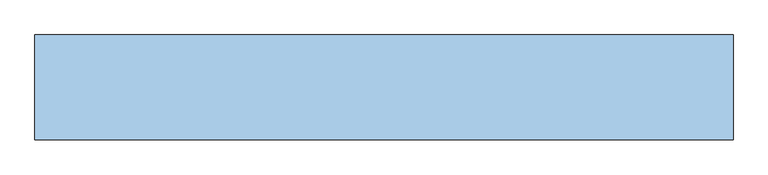
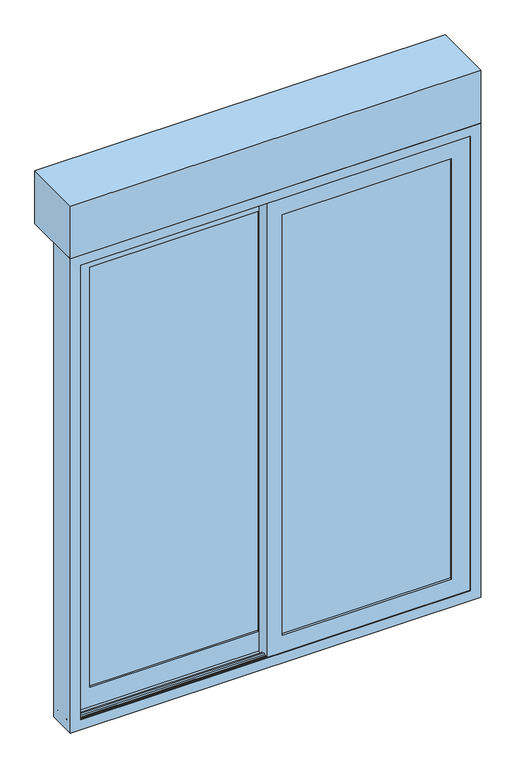
"""IFC4 building model written with IfcOpenShell, lengths in millimetres: window geometry."""

from ifc_helpers import new_model, si_unit, point, frame, frame_2d, origin, place, context, project, spatial, polyline, circle_curve, trimmed, segment, composite_curve, outline, extrude, faceted_brep, source, transform, mapped, element, save


def window_964fc90e(model_context):
    return source(origin(), model_context, "Body", "SolidModel", [
        extrude(outline(polyline([(900.0, -131.31), (-900.0, -131.31), (-900.0, 138.69), (900.0, 138.69), (900.0, -131.31)])), frame((0.0, 0.0, 2200.0), z_axis=(0.0, 0.0, 1.0), x_axis=(1.0, 0.0, 0.0)), (0.0, 0.0, 1.0), 245.0),
        extrude(outline(polyline([(774.5, -118.31), (32.5, -118.31), (32.5, -112.31), (774.5, -112.31), (774.5, -118.31)])), frame((0.0, 0.0, 125.5), z_axis=(0.0, 0.0, 1.0), x_axis=(1.0, 0.0, 0.0)), (0.0, 0.0, 1.0), 1949.0),
        extrude(outline(polyline([(774.5, -106.31), (32.5, -106.31), (32.5, -100.31), (774.5, -100.31), (774.5, -106.31)])), frame((0.0, 0.0, 125.5), z_axis=(0.0, 0.0, 1.0), x_axis=(1.0, 0.0, 0.0)), (0.0, 0.0, 1.0), 1949.0),
        extrude(outline(polyline([(-32.4, -40.01), (-774.5, -40.01), (-774.5, -34.01), (-32.4, -34.01), (-32.4, -40.01)])), frame((0.0, 0.0, 125.5), z_axis=(0.0, 0.0, 1.0), x_axis=(1.0, 0.0, 0.0)), (0.0, 0.0, 1.0), 1949.0),
        extrude(outline(polyline([(-32.4, -52.01), (-774.5, -52.01), (-774.5, -46.01), (-32.4, -46.01), (-32.4, -52.01)])), frame((0.0, 0.0, 125.5), z_axis=(0.0, 0.0, 1.0), x_axis=(1.0, 0.0, 0.0)), (0.0, 0.0, 1.0), 1949.0),
        faceted_brep([(32.5, -71.01, 34.0), (15.5, -71.01, 34.0), (15.5, -65.01, 34.0), (4.5, -65.01, 34.0), (4.5, -70.21, 34.0), (-1.5, -70.21, 34.0), (-1.5, -76.31, 34.0), (866.0, -76.31, 34.0), (866.0, -81.31, 34.0), (32.5, -81.31, 34.0), (32.5, -121.31, 34.0), (866.0, -121.31, 34.0), (866.0, -126.31, 34.0), (-32.4, -126.31, 34.0), (-32.4, -65.41, 34.0), (-15.4, -65.41, 34.0), (-15.4, -71.41, 34.0), (-4.4, -71.41, 34.0), (-4.4, -66.21, 34.0), (1.6, -66.21, 34.0), (1.6, -60.01, 34.0), (-866.0, -60.01, 34.0), (-866.0, -55.01, 34.0), (-32.4, -55.01, 34.0), (-32.4, -15.01, 34.0), (-866.0, -15.01, 34.0), (-866.0, -10.01, 34.0), (32.5, -10.01, 34.0), (32.5, -71.01, 2155.0), (15.5, -71.01, 2155.0), (15.5, -65.01, 2155.0), (4.5, -65.01, 2155.0), (4.5, -70.21, 2155.0), (-1.5, -70.21, 2155.0), (-1.5, -76.31, 2155.0), (32.5, -76.31, 2155.0), (32.5, -76.31, 2166.0), (866.0, -76.31, 2166.0), (32.5, -76.31, 2074.5), (32.5, -76.31, 125.5), (774.5, -76.31, 125.5), (774.5, -76.31, 2074.5), (866.0, -81.31, 2166.0), (32.5, -81.31, 2166.0), (32.5, -81.31, 2155.0), (32.5, -81.31, 2136.3), (836.3, -81.31, 2136.3), (836.3, -81.31, 63.7), (32.5, -81.31, 63.7), (32.5, -89.31, 63.7), (32.5, -89.31, 79.7), (32.5, -113.31, 79.7), (32.5, -113.31, 63.7), (32.5, -121.31, 63.7), (32.5, -126.31, 2074.5), (32.5, -126.31, 125.5), (32.5, -121.31, 2155.0), (32.5, -121.31, 2136.3), (32.5, -113.31, 2136.3), (32.5, -113.31, 2120.3), (32.5, -89.31, 2120.3), (32.5, -89.31, 2136.3), (836.3, -121.31, 63.7), (836.3, -121.31, 2136.3), (32.5, -121.31, 2166.0), (866.0, -121.31, 2166.0), (866.0, -126.31, 2166.0), (32.5, -126.31, 2155.0), (-32.4, -126.31, 2155.0), (32.5, -126.31, 2166.0), (774.5, -126.31, 2074.5), (774.5, -126.31, 125.5), (-32.4, -65.41, 2155.0), (-15.4, -65.41, 2155.0), (-15.4, -71.41, 2155.0), (-4.4, -71.41, 2155.0), (-4.4, -66.21, 2155.0), (1.6, -66.21, 2155.0), (1.6, -60.01, 2155.0), (-32.4, -60.01, 2155.0), (-32.4, -60.01, 2166.0), (-866.0, -60.01, 2166.0), (-32.4, -60.01, 125.5), (-774.5, -60.01, 125.5), (-774.5, -60.01, 2074.5), (-32.4, -60.01, 2074.5), (-866.0, -55.01, 2166.0), (-32.4, -55.01, 2166.0), (-32.4, -55.01, 2155.0), (-32.4, -55.01, 2136.3), (-836.3, -55.01, 2136.3), (-836.3, -55.01, 63.7), (-32.4, -55.01, 63.7), (-32.4, -47.01, 63.7), (-32.4, -47.01, 79.7), (-32.4, -23.01, 79.7), (-32.4, -23.01, 63.7), (-32.4, -15.01, 63.7), (-32.4, -10.01, 2074.5), (-32.4, -10.01, 125.5), (-32.4, -15.01, 2155.0), (-32.4, -15.01, 2136.3), (-32.4, -23.01, 2136.3), (-32.4, -23.01, 2120.3), (-32.4, -47.01, 2120.3), (-32.4, -47.01, 2136.3), (-836.3, -15.01, 63.7), (-836.3, -15.01, 2136.3), (-32.4, -15.01, 2166.0), (-866.0, -15.01, 2166.0), (-866.0, -10.01, 2166.0), (-32.4, -10.01, 2155.0), (32.5, -10.01, 2155.0), (-32.4, -10.01, 2166.0), (-774.5, -10.01, 125.5), (-774.5, -10.01, 2074.5), (-836.3, -47.01, 63.7), (-836.3, -47.01, 2136.3), (-820.3, -47.01, 2120.3), (-820.3, -47.01, 79.7), (-820.3, -23.01, 79.7), (-820.3, -23.01, 2120.3), (-836.3, -23.01, 2136.3), (-836.3, -23.01, 63.7), (836.3, -89.31, 63.7), (836.3, -89.31, 2136.3), (820.3, -89.31, 2120.3), (820.3, -89.31, 79.7), (820.3, -113.31, 79.7), (820.3, -113.31, 2120.3), (836.3, -113.31, 2136.3), (836.3, -113.31, 63.7)], [[[0, 1, 2, 3, 4, 5, 6, 7, 8, 9, 10, 11, 12, 13, 14, 15, 16, 17, 18, 19, 20, 21, 22, 23, 24, 25, 26, 27]], [[28, 29, 1, 0]], [[29, 30, 2, 1]], [[30, 31, 3, 2]], [[31, 32, 4, 3]], [[32, 33, 5, 4]], [[33, 34, 6, 5]], [[34, 35, 36, 37, 7, 6], [38, 39, 40, 41]], [[7, 37, 42, 8]], [[9, 8, 42, 43, 44, 45, 46, 47, 48]], [[10, 9, 48, 49, 50, 51, 52, 53]], [[54, 55, 39, 38]], [[44, 56, 57, 58, 59, 60, 61, 45]], [[11, 10, 53, 62, 63, 57, 56, 64, 65]], [[12, 11, 65, 66]], [[67, 68, 13, 12, 66, 69], [55, 54, 70, 71]], [[68, 72, 14, 13]], [[72, 73, 15, 14]], [[73, 74, 16, 15]], [[74, 75, 17, 16]], [[75, 76, 18, 17]], [[76, 77, 19, 18]], [[77, 78, 20, 19]], [[78, 79, 80, 81, 21, 20], [82, 83, 84, 85]], [[21, 81, 86, 22]], [[23, 22, 86, 87, 88, 89, 90, 91, 92]], [[24, 23, 92, 93, 94, 95, 96, 97]], [[82, 85, 98, 99]], [[88, 100, 101, 102, 103, 104, 105, 89]], [[97, 106, 107, 101, 100, 108, 109, 25, 24]], [[25, 109, 110, 26]], [[111, 112, 27, 26, 110, 113], [114, 99, 98, 115]], [[112, 28, 0, 27]], [[99, 114, 83, 82]], [[83, 114, 115, 84]], [[92, 91, 116, 93]], [[91, 90, 117, 116]], [[93, 116, 117, 105, 104, 118, 119, 94]], [[94, 119, 120, 95]], [[119, 118, 121, 120]], [[95, 120, 121, 103, 102, 122, 123, 96]], [[96, 123, 106, 97]], [[123, 122, 107, 106]], [[55, 71, 40, 39]], [[71, 70, 41, 40]], [[48, 47, 124, 49]], [[47, 46, 125, 124]], [[49, 124, 125, 61, 60, 126, 127, 50]], [[50, 127, 128, 51]], [[127, 126, 129, 128]], [[51, 128, 129, 59, 58, 130, 131, 52]], [[52, 131, 62, 53]], [[131, 130, 63, 62]], [[28, 112, 111, 100, 88, 79, 78, 77, 76, 75, 74, 73, 72, 68, 67, 56, 44, 35, 34, 33, 32, 31, 30, 29]], [[85, 84, 115, 98]], [[81, 80, 87, 86]], [[90, 89, 105, 117]], [[118, 104, 103, 121]], [[122, 102, 101, 107]], [[109, 108, 113, 110]], [[69, 66, 65, 64]], [[70, 54, 38, 41]], [[37, 36, 43, 42]], [[46, 45, 61, 125]], [[126, 60, 59, 129]], [[130, 58, 57, 63]], [[87, 80, 79, 88]], [[113, 108, 100, 111]], [[69, 64, 56, 67]], [[43, 36, 35, 44]]]),
        faceted_brep([(-883.0, -16.01, 0.0), (-883.0, -5.01, 0.0), (-855.0, -5.01, 0.0), (-855.0, -9.01, 0.0), (-882.0, -9.01, 0.0), (-882.0, -16.01, 0.0), (-883.0, -16.01, 2183.0), (-883.0, -5.01, 2183.0), (883.0, -5.01, 2183.0), (883.0, -5.01, 0.0), (855.0, -5.01, 0.0), (855.0, -5.01, 2155.0), (-855.0, -5.01, 2155.0), (-855.0, -9.01, 2155.0), (855.0, -9.01, 2155.0), (855.0, -9.01, 0.0), (882.0, -9.01, 0.0), (882.0, -9.01, 2182.0), (-882.0, -9.01, 2182.0), (-882.0, -16.01, 2182.0), (882.0, -16.01, 2182.0), (882.0, -16.01, 0.0), (883.0, -16.01, 0.0), (883.0, -16.01, 2183.0)], [[[0, 1, 2, 3, 4, 5]], [[1, 0, 6, 7]], [[2, 1, 7, 8, 9, 10, 11, 12]], [[3, 2, 12, 13]], [[4, 3, 13, 14, 15, 16, 17, 18]], [[5, 4, 18, 19]], [[0, 5, 19, 20, 21, 22, 23, 6]], [[8, 23, 22, 9]], [[22, 21, 16, 15, 10, 9]], [[14, 11, 10, 15]], [[20, 17, 16, 21]], [[7, 6, 23, 8]], [[13, 12, 11, 14]], [[19, 18, 17, 20]]]),
        faceted_brep([(900.0, -5.01, 2200.0), (900.0, -131.31, 2200.0), (900.0, -131.31, 0.0), (900.0, -5.01, 0.0), (-900.0, -131.31, 2200.0), (-900.0, -131.31, 0.0), (855.0, -131.31, 45.0), (-855.0, -131.31, 45.0), (-855.0, -131.31, 2155.0), (855.0, -131.31, 2155.0), (-900.0, -5.01, 0.0), (-900.0, -5.01, 2200.0), (883.0, -5.01, 2183.0), (-883.0, -5.01, 2183.0), (-883.0, -5.01, 17.0), (883.0, -5.01, 17.0), (883.0, -16.01, 2183.0), (883.0, -16.01, 17.0), (-883.0, -16.01, 17.0), (-883.0, -16.01, 2183.0), (882.0, -16.01, 2182.0), (-882.0, -16.01, 2182.0), (-882.0, -16.01, 18.0), (882.0, -16.01, 18.0), (882.0, -31.01, 2182.0), (882.0, -31.01, 18.0), (-882.0, -31.01, 18.0), (-882.0, -31.01, 2182.0), (863.0, -31.01, 2163.0), (-863.0, -31.01, 2163.0), (-863.0, -31.01, 37.0), (863.0, -31.01, 37.0), (863.0, -19.01, 2163.0), (863.0, -19.01, 37.0), (-863.0, -19.01, 37.0), (-863.0, -19.01, 2163.0), (857.0, -19.01, 2157.0), (-857.0, -19.01, 2157.0), (-857.0, -19.01, 43.0), (857.0, -19.01, 43.0), (855.0, -21.01, 2155.0), (855.0, -21.01, 45.0), (-855.0, -21.01, 45.0), (855.0, -49.01, 2155.0), (855.0, -49.01, 45.0), (-855.0, -49.01, 45.0), (857.0, -51.01, 2157.0), (857.0, -51.01, 43.0), (-857.0, -51.01, 43.0), (863.0, -51.01, 2163.0), (-863.0, -51.01, 2163.0), (-863.0, -51.01, 37.0), (863.0, -51.01, 37.0), (-857.0, -51.01, 2157.0), (863.0, -39.01, 2163.0), (863.0, -39.01, 37.0), (-863.0, -39.01, 37.0), (882.0, -39.01, 2182.0), (-882.0, -39.01, 2182.0), (-882.0, -39.01, 18.0), (882.0, -39.01, 18.0), (-863.0, -39.01, 2163.0), (882.0, -97.31, 2182.0), (882.0, -97.31, 18.0), (-882.0, -97.31, 18.0), (-882.0, -97.31, 2182.0), (863.0, -97.31, 2163.0), (-863.0, -97.31, 2163.0), (-863.0, -97.31, 37.0), (863.0, -97.31, 37.0), (863.0, -85.31, 2163.0), (863.0, -85.31, 37.0), (-863.0, -85.31, 37.0), (-863.0, -85.31, 2163.0), (857.0, -85.31, 2157.0), (-857.0, -85.31, 2157.0), (-857.0, -85.31, 43.0), (857.0, -85.31, 43.0), (855.0, -87.31, 2155.0), (855.0, -87.31, 45.0), (-855.0, -87.31, 45.0), (855.0, -115.31, 2155.0), (855.0, -115.31, 45.0), (-855.0, -115.31, 45.0), (857.0, -117.31, 2157.0), (857.0, -117.31, 43.0), (-857.0, -117.31, 43.0), (863.0, -117.31, 2163.0), (-863.0, -117.31, 2163.0), (-863.0, -117.31, 37.0), (863.0, -117.31, 37.0), (-857.0, -117.31, 2157.0), (863.0, -105.31, 2163.0), (863.0, -105.31, 37.0), (-863.0, -105.31, 37.0), (882.0, -105.31, 2182.0), (-882.0, -105.31, 2182.0), (-882.0, -105.31, 18.0), (882.0, -105.31, 18.0), (-863.0, -105.31, 2163.0), (882.0, -127.31, 2182.0), (882.0, -127.31, 18.0), (-882.0, -127.31, 18.0), (-882.0, -127.31, 2182.0), (855.0, -127.31, 2155.0), (-855.0, -127.31, 2155.0), (-855.0, -127.31, 45.0), (855.0, -127.31, 45.0), (-855.0, -21.01, 2155.0), (-855.0, -49.01, 2155.0), (-855.0, -87.31, 2155.0), (-855.0, -115.31, 2155.0)], [[[0, 1, 2, 3]], [[1, 4, 5, 2], [6, 7, 8, 9]], [[3, 2, 5, 10]], [[3, 10, 11, 0], [12, 13, 14, 15]], [[16, 12, 15, 17]], [[17, 15, 14, 18]], [[17, 18, 19, 16], [20, 21, 22, 23]], [[24, 20, 23, 25]], [[25, 23, 22, 26]], [[25, 26, 27, 24], [28, 29, 30, 31]], [[32, 28, 31, 33]], [[33, 31, 30, 34]], [[33, 34, 35, 32], [36, 37, 38, 39]], [[40, 36, 39, 41]], [[41, 39, 38, 42]], [[43, 40, 41, 44]], [[44, 41, 42, 45]], [[46, 43, 44, 47]], [[47, 44, 45, 48]], [[49, 50, 51, 52], [47, 48, 53, 46]], [[54, 49, 52, 55]], [[55, 52, 51, 56]], [[57, 58, 59, 60], [55, 56, 61, 54]], [[62, 57, 60, 63]], [[63, 60, 59, 64]], [[63, 64, 65, 62], [66, 67, 68, 69]], [[70, 66, 69, 71]], [[71, 69, 68, 72]], [[71, 72, 73, 70], [74, 75, 76, 77]], [[78, 74, 77, 79]], [[79, 77, 76, 80]], [[81, 78, 79, 82]], [[82, 79, 80, 83]], [[84, 81, 82, 85]], [[85, 82, 83, 86]], [[87, 88, 89, 90], [85, 86, 91, 84]], [[92, 87, 90, 93]], [[93, 90, 89, 94]], [[95, 96, 97, 98], [93, 94, 99, 92]], [[100, 95, 98, 101]], [[101, 98, 97, 102]], [[101, 102, 103, 100], [104, 105, 106, 107]], [[9, 104, 107, 6]], [[6, 107, 106, 7]], [[10, 5, 4, 11]], [[18, 14, 13, 19]], [[26, 22, 21, 27]], [[34, 30, 29, 35]], [[42, 38, 37, 108]], [[45, 42, 108, 109]], [[48, 45, 109, 53]], [[56, 51, 50, 61]], [[64, 59, 58, 65]], [[72, 68, 67, 73]], [[80, 76, 75, 110]], [[83, 80, 110, 111]], [[86, 83, 111, 91]], [[94, 89, 88, 99]], [[102, 97, 96, 103]], [[7, 106, 105, 8]], [[11, 4, 1, 0]], [[19, 13, 12, 16]], [[27, 21, 20, 24]], [[35, 29, 28, 32]], [[108, 37, 36, 40]], [[109, 108, 40, 43]], [[53, 109, 43, 46]], [[61, 50, 49, 54]], [[65, 58, 57, 62]], [[73, 67, 66, 70]], [[110, 75, 74, 78]], [[111, 110, 78, 81]], [[91, 111, 81, 84]], [[99, 88, 87, 92]], [[103, 96, 95, 100]], [[8, 105, 104, 9]]]),
        extrude(outline(composite_curve([segment(polyline([(-97.31, 45.0), (-105.31, 45.0)]), True, "CONTINUOUS"), segment(trimmed(circle_curve(frame_2d((-101.31, 45.0)), 4.0), [point((-105.31, 45.0))], [point((-97.31, 45.0))], False, "CARTESIAN"), True, "CONTINUOUS")], self_intersect=False)), frame((-900.0, 0.0, 0.0), z_axis=(1.0, 0.0, 0.0), x_axis=(0.0, 1.0, 0.0)), (0.0, 0.0, 1.0), 1800.0),
        extrude(outline(composite_curve([segment(polyline([(-31.01, 45.0), (-39.01, 45.0)]), True, "CONTINUOUS"), segment(trimmed(circle_curve(frame_2d((-35.01, 45.0)), 4.0), [point((-39.01, 45.0))], [point((-31.01, 45.0))], False, "CARTESIAN"), True, "CONTINUOUS")], self_intersect=False)), frame((-900.0, 0.0, 0.0), z_axis=(1.0, 0.0, 0.0), x_axis=(0.0, 1.0, 0.0)), (0.0, 0.0, 1.0), 1800.0),
    ])


if __name__ == "__main__":
    model = new_model("IFC4")
    model_context = context("Model", 3, world=origin())
    ifc_project = project(units=[si_unit("LENGTHUNIT", "METRE", prefix="MILLI")], contexts=[model_context])
    site = spatial("IfcSite", under=ifc_project)
    building = spatial("IfcBuilding", under=site)
    placement = place(None, origin())
    window_shape = window_964fc90e(model_context)
    element("IfcWindow", 1, at=placement, inside=building, context=model_context, shape_type="MappedRepresentation", body=[
        mapped(window_shape, transform((0.0, 0.0, 0.0), x_axis=(1.0, 0.0, 0.0), y_axis=(0.0, 1.0, 0.0), z_axis=(0.0, 0.0, 1.0))),
    ])
    save(model, "model.ifc")
